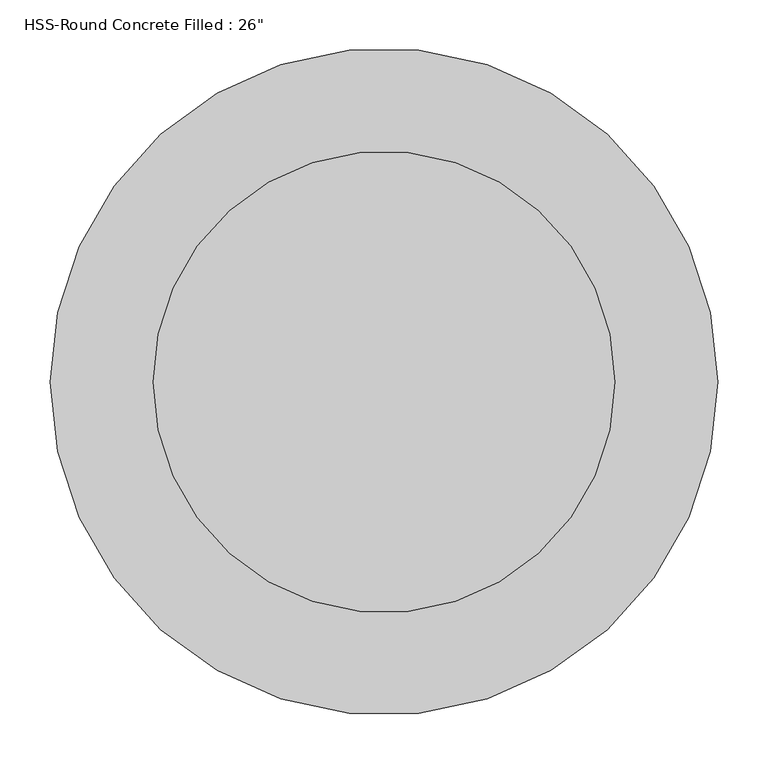
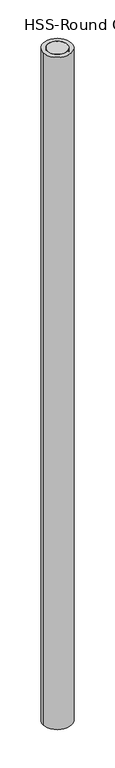
"""IFC4 building model written with IfcOpenShell, lengths in millimetres: column geometry."""

from ifc_helpers import new_model, si_unit, point, frame, origin, origin_2d, place, context, project, spatial, circle_curve, trimmed, segment, composite_curve, outline, extrude, source, transform, mapped, element, save


def column_1640e1f7(model_context):
    return source(origin(), model_context, "Body", "SweptSolid", [
        extrude(outline(composite_curve([segment(trimmed(circle_curve(origin_2d(), 228.6), [point((228.6, 0.0))], [point((-228.6, 0.0))], False, "CARTESIAN"), True, "CONTINUOUS"), segment(trimmed(circle_curve(origin_2d(), 228.6), [point((-228.6, 0.0))], [point((228.6, 0.0))], False, "CARTESIAN"), True, "CONTINUOUS")], self_intersect=False)), frame((0.0, 0.0, -4419.6), z_axis=(0.0, 0.0, 1.0), x_axis=(1.0, 0.0, 0.0)), (0.0, 0.0, 1.0), 16306.8),
        extrude(outline(composite_curve([segment(trimmed(circle_curve(origin_2d(), 330.2), [point((-330.2, 0.0))], [point((330.2, 0.0))], False, "CARTESIAN"), True, "CONTINUOUS"), segment(trimmed(circle_curve(origin_2d(), 330.2), [point((330.2, 0.0))], [point((-330.2, 0.0))], False, "CARTESIAN"), True, "CONTINUOUS")], self_intersect=False), holes=[composite_curve([segment(trimmed(circle_curve(origin_2d(), 228.6), [point((-228.6, 0.0))], [point((228.6, 0.0))], True, "CARTESIAN"), True, "CONTINUOUS"), segment(trimmed(circle_curve(origin_2d(), 228.6), [point((228.6, 0.0))], [point((-228.6, 0.0))], True, "CARTESIAN"), True, "CONTINUOUS")], self_intersect=False)]), frame((0.0, 0.0, -4419.6), z_axis=(0.0, 0.0, 1.0), x_axis=(1.0, 0.0, 0.0)), (0.0, 0.0, 1.0), 16306.8),
    ])


if __name__ == "__main__":
    model = new_model("IFC4")
    model_context = context("Model", 3, world=origin())
    ifc_project = project(units=[si_unit("LENGTHUNIT", "METRE", prefix="MILLI")], contexts=[model_context])
    site = spatial("IfcSite", under=ifc_project)
    building = spatial("IfcBuilding", under=site)
    placement = place(None, origin())
    column_shape = column_1640e1f7(model_context)
    element("IfcColumn", 1, ObjectType="HSS-Round Concrete Filled : 26\"", at=placement, inside=building, context=model_context, shape_type="MappedRepresentation", body=[
        mapped(column_shape, transform((0.0, 0.0, 0.0), x_axis=(1.0, 0.0, 0.0), y_axis=(0.0, 1.0, 0.0), z_axis=(0.0, 0.0, 1.0))),
    ])
    save(model, "model.ifc")
